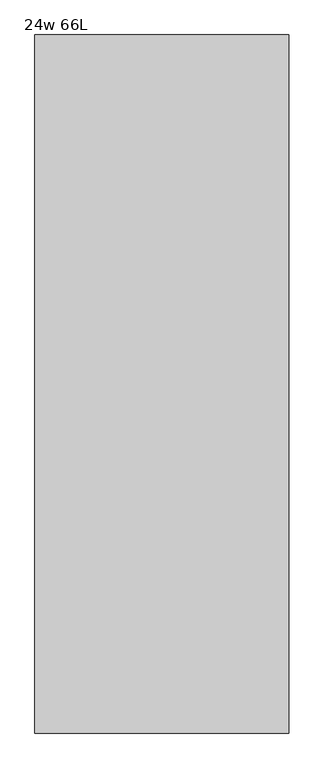
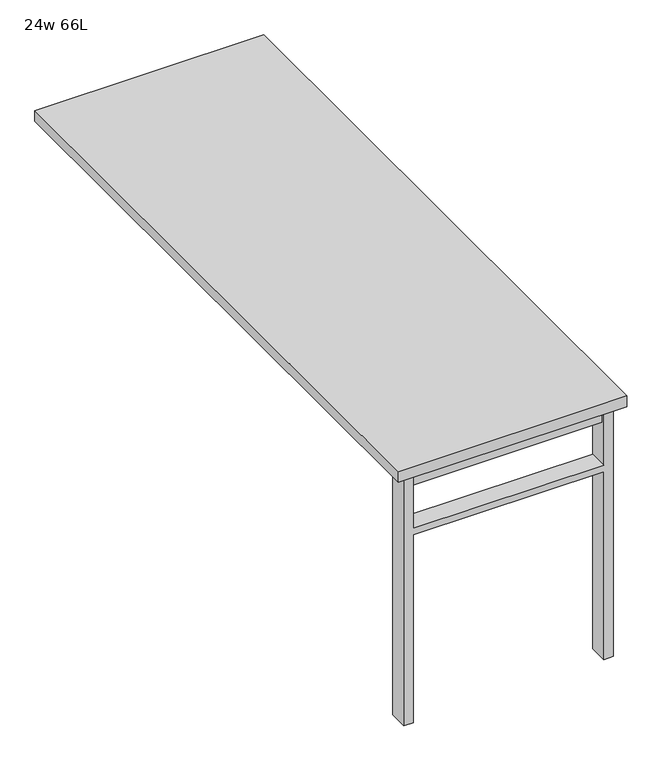
"""IFC4 building model written with IfcOpenShell, lengths in millimetres: furniture geometry, 24w 66L."""

from ifc_helpers import new_model, si_unit, frame, origin, place, context, project, spatial, polyline, outline, extrude, source, transform, mapped, element, save


def furniture_24w_66l_1fe35c89(model_context):
    return source(origin(), model_context, "Body", "SweptSolid", [
        extrude(outline(polyline([(-254.0, -777.875), (254.0, -777.875), (254.0, -809.625), (-254.0, -809.625), (-254.0, -777.875)])), frame((0.0, 0.0, 661.9875), z_axis=(0.0, 0.0, 1.0), x_axis=(1.0, 0.0, 0.0)), (0.0, 0.0, 1.0), 44.45),
        extrude(outline(polyline([(528.6375, 254.0), (0.0, 254.0), (0.0, 279.4), (706.4375, 279.4), (706.4375, 254.0), (547.6875, 254.0), (547.6875, -254.0), (706.4375, -254.0), (706.4375, -279.4), (0.0, -279.4), (0.0, -254.0), (528.6375, -254.0), (528.6375, 254.0)])), frame((0.0, -819.15, 0.0), z_axis=(0.0, 1.0, 0.0), x_axis=(0.0, 0.0, 1.0)), (0.0, 0.0, 1.0), 50.8),
        extrude(outline(polyline([(-304.8, -838.2), (-304.8, 838.2), (304.8, 838.2), (304.8, -838.2), (-304.8, -838.2)])), frame((0.0, 0.0, 706.4375), z_axis=(0.0, 0.0, 1.0), x_axis=(1.0, 0.0, 0.0)), (0.0, 0.0, 1.0), 30.1625),
    ])


if __name__ == "__main__":
    model = new_model("IFC4")
    model_context = context("Model", 3, world=origin())
    ifc_project = project(units=[si_unit("LENGTHUNIT", "METRE", prefix="MILLI")], contexts=[model_context])
    site = spatial("IfcSite", under=ifc_project)
    building = spatial("IfcBuilding", under=site)
    placement = place(None, origin())
    furniture_24w_66l_shape = furniture_24w_66l_1fe35c89(model_context)
    element("IfcFurniture", 1, ObjectType="24w 66L", at=placement, inside=building, context=model_context, shape_type="MappedRepresentation", body=[
        mapped(furniture_24w_66l_shape, transform((0.0, 0.0, 0.0), x_axis=(1.0, 0.0, 0.0), y_axis=(0.0, 1.0, 0.0), z_axis=(0.0, 0.0, 1.0))),
    ])
    save(model, "model.ifc")
